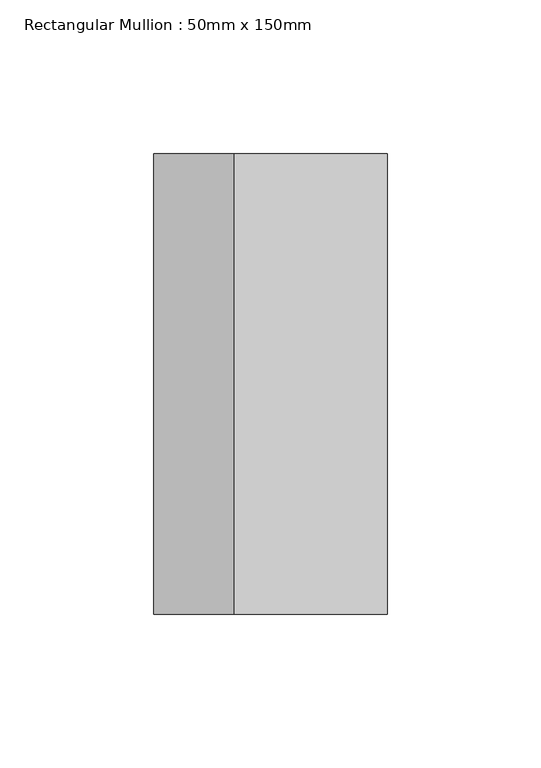
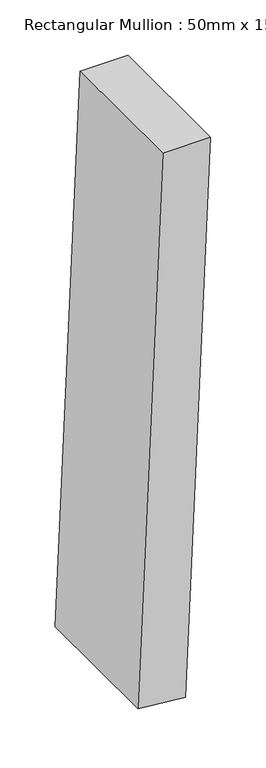
"""IFC4 building model written with IfcOpenShell, lengths in millimetres: member geometry, Rectangular Mullion : 50mm x 150mm."""

from ifc_helpers import new_model, si_unit, point, frame, frame_2d, origin, place, context, project, spatial, polyline, circle_curve, trimmed, segment, composite_curve, outline, extrude, source, transform, mapped, element, save


def rectangular_mullion_50mm_x_150mm_c6ec9e7d(model_context):
    return source(origin(), model_context, "Body", "SweptSolid", [
        extrude(outline(composite_curve([segment(trimmed(circle_curve(frame_2d((0.0, -7065.3700225)), 7065.3700225), [point((-609.3523985, -26.3258254))], [point((0.0, 0.0))], False, "CARTESIAN"), True, "CONTINUOUS"), segment(polyline([(0.0, 0.0), (0.0, -50.0)]), True, "CONTINUOUS"), segment(trimmed(circle_curve(frame_2d((0.0, -7065.3700225)), 7015.3700225), [point((0.0, -50.0))], [point((-605.0401516, -76.1395235))], True, "CARTESIAN"), True, "CONTINUOUS"), segment(polyline([(-605.0401516, -76.1395235), (-609.3523985, -26.3258254)]), True, "CONTINUOUS")], self_intersect=False)), frame((0.0, -75.0, 0.0), z_axis=(0.0, 1.0, 0.0), x_axis=(0.0, 0.0, 1.0)), (0.0, 0.0, 1.0), 150.0),
    ])


if __name__ == "__main__":
    model = new_model("IFC4")
    model_context = context("Model", 3, world=origin())
    ifc_project = project(units=[si_unit("LENGTHUNIT", "METRE", prefix="MILLI")], contexts=[model_context])
    site = spatial("IfcSite", under=ifc_project)
    building = spatial("IfcBuilding", under=site)
    placement = place(None, origin())
    rectangular_mullion_50mm_x_150mm_shape = rectangular_mullion_50mm_x_150mm_c6ec9e7d(model_context)
    element("IfcMember", 1, ObjectType="Rectangular Mullion : 50mm x 150mm", at=placement, inside=building, context=model_context, shape_type="MappedRepresentation", body=[
        mapped(rectangular_mullion_50mm_x_150mm_shape, transform((0.0, 0.0, 0.0), x_axis=(1.0, 0.0, 0.0), y_axis=(0.0, 1.0, 0.0), z_axis=(0.0, 0.0, 1.0))),
    ])
    save(model, "model.ifc")
